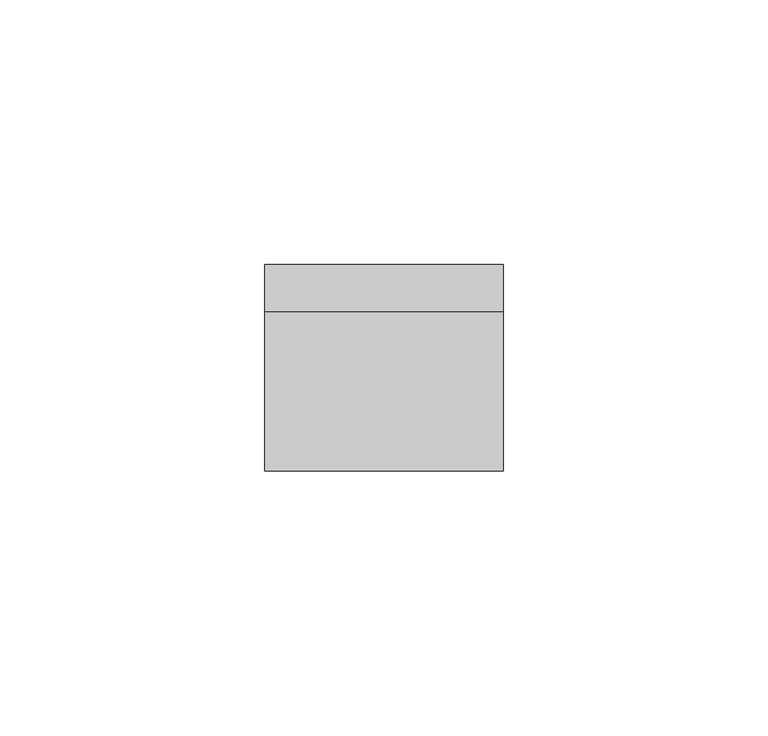
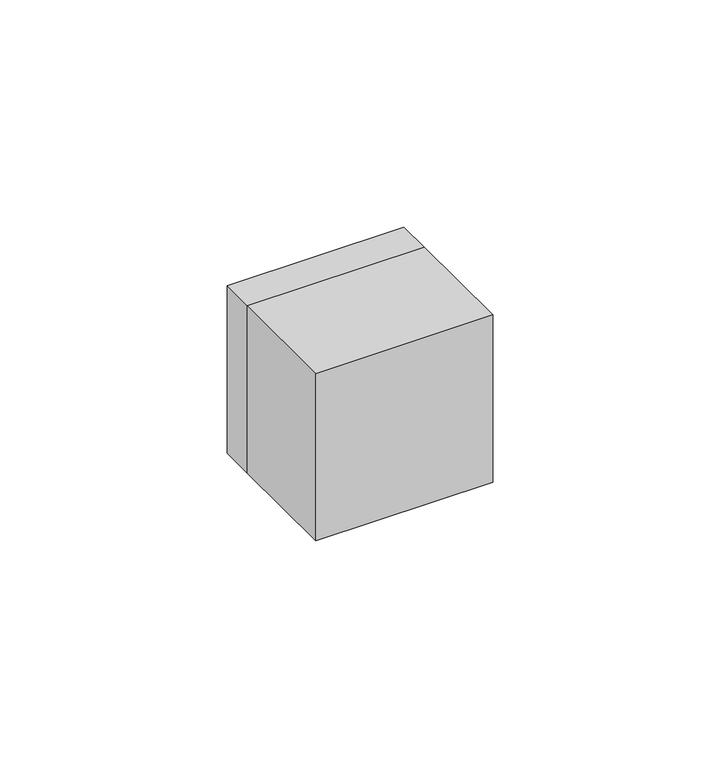
"""IFC4 building model written with IfcOpenShell, lengths in millimetres: electric appliance geometry."""

from ifc_helpers import new_model, si_unit, frame, origin, place, context, project, spatial, polyline, outline, extrude, source, transform, mapped, element, save


def electric_appliance_effadfbb(model_context):
    return source(origin(), model_context, "Body", "SweptSolid", [
        extrude(outline(polyline([(3.5, 0.0), (-3.5, 0.0), (-3.5, 6.0), (3.5, 6.0), (3.5, 0.0)])), frame((0.0, 0.0, 4.0), z_axis=(0.0, 0.0, 1.0), x_axis=(1.0, 0.0, 0.0)), (0.0, 0.0, 1.0), 1.0),
        extrude(outline(polyline([(22.5, -30.0), (-22.5, -30.0), (-22.5, 0.0), (22.5, 0.0), (22.5, -30.0)])), frame((0.0, 0.0, -22.5), z_axis=(0.0, 0.0, 1.0), x_axis=(1.0, 0.0, 0.0)), (0.0, 0.0, 1.0), 45.0),
        extrude(outline(polyline([(22.5, 22.5), (22.5, -22.5), (-22.5, -22.5), (-22.5, 22.5), (22.5, 22.5)]), holes=[polyline([(-6.0, -6.5), (8.0, -6.5), (8.0, 6.5), (-6.0, 6.5), (-6.0, -6.5)])]), frame((0.0, 0.0, 0.0), z_axis=(0.0, 1.0, 0.0), x_axis=(0.0, 0.0, 1.0)), (0.0, 0.0, 1.0), 9.0),
        extrude(outline(polyline([(7.8, 6.3), (7.8, -6.3), (-5.8, -6.3), (-5.8, 6.3), (7.8, 6.3)]), holes=[polyline([(-3.5, -3.5), (-2.0, -3.5), (-2.0, -5.0), (5.0, -5.0), (5.0, 5.0), (-2.0, 5.0), (-2.0, 3.5), (-3.5, 3.5), (-3.5, 2.0), (-5.0, 2.0), (-5.0, -2.0), (-3.5, -2.0), (-3.5, -3.5)])]), frame((0.0, 0.0, 0.0), z_axis=(0.0, 1.0, 0.0), x_axis=(0.0, 0.0, 1.0)), (0.0, 0.0, 1.0), 9.0),
    ])


if __name__ == "__main__":
    model = new_model("IFC4")
    model_context = context("Model", 3, world=origin())
    ifc_project = project(units=[si_unit("LENGTHUNIT", "METRE", prefix="MILLI")], contexts=[model_context])
    site = spatial("IfcSite", under=ifc_project)
    building = spatial("IfcBuilding", under=site)
    placement = place(None, origin())
    electric_appliance_shape = electric_appliance_effadfbb(model_context)
    element("IfcElectricAppliance", 1, at=placement, inside=building, context=model_context, shape_type="MappedRepresentation", body=[
        mapped(electric_appliance_shape, transform((0.0, 0.0, 0.0), x_axis=(1.0, 0.0, 0.0), y_axis=(0.0, 1.0, 0.0), z_axis=(0.0, 0.0, 1.0))),
    ])
    save(model, "model.ifc")
